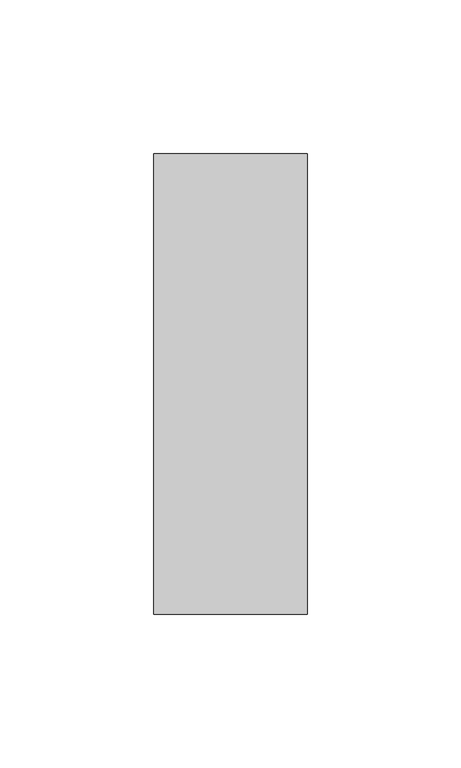
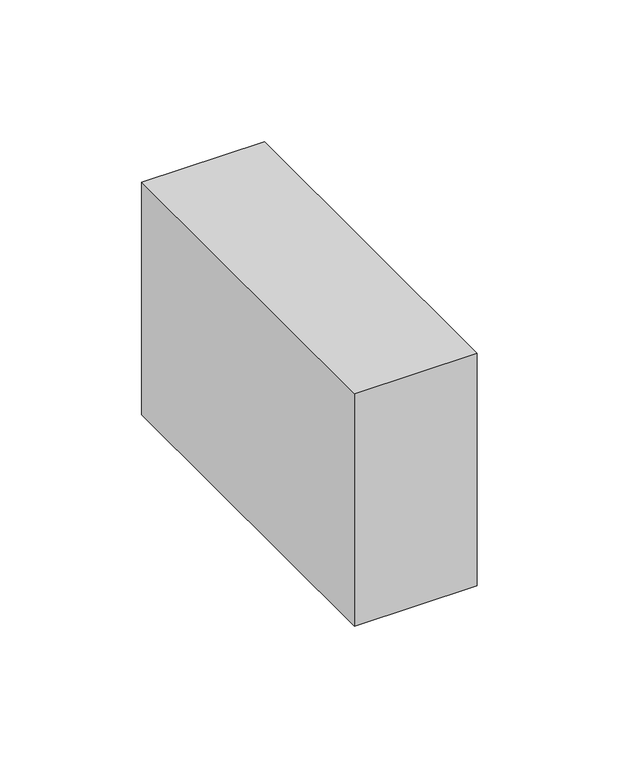
"""IFC4 building model written with IfcOpenShell, lengths in millimetres: member geometry."""

from ifc_helpers import new_model, si_unit, frame, origin, place, context, project, spatial, polyline, outline, extrude, source, transform, mapped, element, save


def member_3eef92e2(model_context):
    return source(origin(), model_context, "Body", "SweptSolid", [
        extrude(outline(polyline([(25.0, 75.0), (25.0, -75.0), (-25.0, -75.0), (-25.0, 75.0), (25.0, 75.0)])), frame((0.0, 0.0, -100.0), z_axis=(0.0, 0.0, 1.0), x_axis=(1.0, 0.0, 0.0)), (0.0, 0.0, 1.0), 100.0),
    ])


if __name__ == "__main__":
    model = new_model("IFC4")
    model_context = context("Model", 3, world=origin())
    ifc_project = project(units=[si_unit("LENGTHUNIT", "METRE", prefix="MILLI")], contexts=[model_context])
    site = spatial("IfcSite", under=ifc_project)
    building = spatial("IfcBuilding", under=site)
    placement = place(None, origin())
    member_shape = member_3eef92e2(model_context)
    element("IfcMember", 1, at=placement, inside=building, context=model_context, shape_type="MappedRepresentation", body=[
        mapped(member_shape, transform((0.0, 0.0, 0.0), x_axis=(1.0, 0.0, 0.0), y_axis=(0.0, 1.0, 0.0), z_axis=(0.0, 0.0, 1.0))),
    ])
    save(model, "model.ifc")
